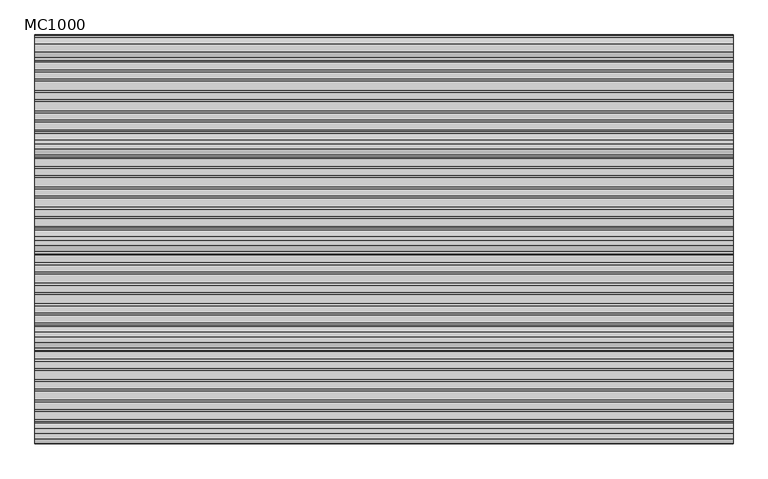
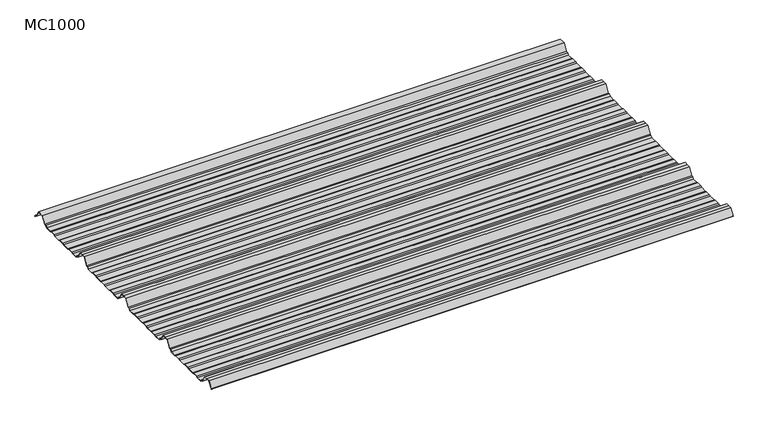
"""IFC4 building model written with IfcOpenShell, lengths in millimetres: beam geometry, MC1000."""

from ifc_helpers import new_model, si_unit, point, frame, frame_2d, origin, place, context, project, spatial, polyline, circle_curve, trimmed, segment, composite_curve, outline, extrude, source, transform, mapped, element, save


def mc1000_16bfcd8b(model_context):
    return source(origin(), model_context, "Body", "SweptSolid", [
        extrude(outline(composite_curve([segment(polyline([(-187.0338322, -23.7896472), (-192.5, -25.7896478), (-213.5, -25.7896478), (-217.6210251, -19.1370213), (-222.9746775, -19.1370213), (-238.0568616, 5.2103522), (-250.0, 5.2103522), (-261.9431384, 5.2103522), (-277.0253225, -19.1370213), (-282.3789749, -19.1370213), (-286.5, -25.7896478), (-307.5, -25.7896478), (-312.9661678, -23.7896476), (-330.9151087, -23.7896476), (-336.3812767, -25.7896478), (-360.5593616, -25.7896478), (-366.0255296, -23.7896476), (-383.97447, -23.7896476), (-389.4406384, -25.7896478), (-413.6187233, -25.7896478), (-419.0848913, -23.7896476), (-437.0338322, -23.7896476), (-442.5, -25.7896478), (-463.5, -25.7896478), (-467.6210251, -19.1370213), (-472.9746775, -19.1370213), (-488.0568616, 5.2103522), (-500.0, 5.2103522), (-511.9431384, 5.2103522), (-527.0253225, -19.1370213), (-532.3789749, -19.1370213), (-536.5, -25.7896478), (-557.5, -25.7896478), (-562.9661678, -23.789648), (-580.9151087, -23.789648), (-586.3812767, -25.7896482), (-610.5593616, -25.7896482), (-616.0255296, -23.7896476), (-633.97447, -23.7896476), (-639.4406384, -25.7896478), (-663.6187233, -25.7896478), (-669.0848913, -23.7896476), (-687.0338322, -23.7896476), (-692.5, -25.7896478), (-713.5, -25.7896478), (-717.6210251, -19.1370213), (-722.9746775, -19.1370213), (-738.0568616, 5.2103522), (-750.0, 5.2103522), (-761.9431384, 5.2103522), (-777.0253225, -19.1370213), (-782.3789749, -19.1370213), (-786.5, -25.7896478), (-807.5, -25.7896478), (-812.9661678, -23.7896476), (-830.9151087, -23.7896476), (-836.3812767, -25.7896478), (-860.5593616, -25.7896478), (-866.0255296, -23.7896476), (-883.97447, -23.7896476), (-889.4406384, -25.7896478), (-913.6187233, -25.7896478), (-919.0848913, -23.7896476), (-937.0338322, -23.7896476), (-942.5, -25.7896478), (-963.5, -25.7896478), (-967.6210251, -19.1370213), (-972.9746775, -19.1370213), (-988.0568616, 5.2103522), (-1000.0, 5.2103522), (-1011.9431384, 5.2103522), (-1025.3430666, -16.4213329)]), True, "CONTINUOUS"), segment(trimmed(circle_curve(frame_2d((-1025.768121, -16.1580294)), 0.5), [point((-1025.3430666, -16.4213329))], [point((-1026.1931754, -15.8947259))], False, "CARTESIAN"), True, "CONTINUOUS"), segment(polyline([(-1026.1931754, -15.8947259), (-1012.5, 6.2103522), (-1000.0, 6.2103522), (-987.5, 6.2103522), (-972.4178159, -18.1370213), (-967.0641635, -18.1370213), (-962.9431384, -24.7896478), (-942.6771992, -24.7896478), (-937.2110314, -22.7896476), (-918.9076926, -22.7896476), (-913.4415242, -24.7896478), (-889.6178376, -24.7896478), (-884.1516696, -22.7896478), (-865.8483309, -22.7896478), (-860.3821624, -24.7896478), (-836.5584758, -24.7896478), (-831.0923074, -22.7896476), (-812.7889686, -22.7896476), (-807.3228008, -24.7896478), (-787.0568616, -24.7896478), (-782.9358365, -18.1370213), (-777.5821841, -18.1370213), (-762.5, 6.2103522), (-750.0, 6.2103522), (-737.5, 6.2103522), (-722.4178159, -18.1370213), (-717.0641635, -18.1370213), (-712.9431384, -24.7896478), (-692.6771992, -24.7896478), (-687.2110314, -22.7896476), (-668.9076926, -22.7896476), (-663.4415242, -24.7896478), (-639.6178376, -24.7896478), (-634.1516696, -22.7896478), (-615.8483309, -22.7896478), (-610.3821624, -24.7896482), (-586.5584758, -24.7896482), (-581.0923074, -22.789648), (-562.7889686, -22.789648), (-557.3228008, -24.7896478), (-537.0568616, -24.7896478), (-532.9358365, -18.1370213), (-527.5821841, -18.1370213), (-512.5, 6.2103522), (-500.0, 6.2103522), (-487.5, 6.2103522), (-472.4178159, -18.1370213), (-467.0641635, -18.1370213), (-462.9431384, -24.7896478), (-442.6771992, -24.7896478), (-437.2110314, -22.7896476), (-418.9076926, -22.7896476), (-413.4415242, -24.7896478), (-389.6178376, -24.7896478), (-384.1516696, -22.7896478), (-365.8483309, -22.7896478), (-360.3821624, -24.7896478), (-336.5584758, -24.7896478), (-331.0923074, -22.7896476), (-312.7889686, -22.7896476), (-307.3228008, -24.7896478), (-287.0568616, -24.7896478), (-282.9358365, -18.1370213), (-277.5821841, -18.1370213), (-262.5, 6.2103522), (-250.0, 6.2103522), (-237.5, 6.2103522), (-222.4178159, -18.1370213), (-217.0641635, -18.1370213), (-212.9431384, -24.7896478), (-192.6771992, -24.7896478), (-187.2110314, -22.7896472), (-168.9076926, -22.7896472), (-163.4415242, -24.7896475), (-139.6178376, -24.7896475), (-134.1516696, -22.7896474), (-115.8483309, -22.7896474), (-110.3821624, -24.7896475), (-86.5584758, -24.7896475), (-81.0923074, -22.7896476), (-62.7889686, -22.7896476), (-57.3228008, -24.7896478), (-37.0568616, -24.7896478), (-32.9358365, -18.1370213), (-25.2295442, -18.1370213), (-11.3862768, 4.2103522), (11.3862768, 4.2103522), (26.4684609, -20.1370213), (31.8221133, -20.1370213), (33.8767469, -23.4538441)]), True, "CONTINUOUS"), segment(trimmed(circle_curve(frame_2d((33.4516925, -23.7171476)), 0.5), [point((33.8767469, -23.4538441))], [point((33.0266381, -23.9804511))], False, "CARTESIAN"), True, "CONTINUOUS"), segment(polyline([(33.0266381, -23.9804511), (31.2652517, -21.1370213), (25.9115993, -21.1370213), (10.8294152, 3.2103522), (-10.8294152, 3.2103522), (-24.6726825, -19.1370213), (-32.3789749, -19.1370213), (-36.5, -25.7896478), (-57.5, -25.7896478), (-62.9661678, -23.7896476), (-80.9151087, -23.7896476), (-86.3812767, -25.7896475), (-110.5593616, -25.7896475), (-116.0255296, -23.7896472), (-133.97447, -23.7896472), (-139.4406384, -25.7896475), (-163.6187233, -25.7896475), (-169.0848913, -23.7896472), (-187.0338322, -23.7896472)]), True, "CONTINUOUS")], self_intersect=False)), frame((-905.0, 0.0, 0.0), z_axis=(1.0, 0.0, 0.0), x_axis=(0.0, 1.0, 0.0)), (0.0, 0.0, 1.0), 1810.0),
    ])


if __name__ == "__main__":
    model = new_model("IFC4")
    model_context = context("Model", 3, world=origin())
    ifc_project = project(units=[si_unit("LENGTHUNIT", "METRE", prefix="MILLI")], contexts=[model_context])
    site = spatial("IfcSite", under=ifc_project)
    building = spatial("IfcBuilding", under=site)
    placement = place(None, origin())
    mc1000_shape = mc1000_16bfcd8b(model_context)
    element("IfcBeam", 1, ObjectType="MC1000", at=placement, inside=building, context=model_context, shape_type="MappedRepresentation", body=[
        mapped(mc1000_shape, transform((0.0, 0.0, 0.0), x_axis=(1.0, 0.0, 0.0), y_axis=(0.0, 1.0, 0.0), z_axis=(0.0, 0.0, 1.0))),
    ])
    save(model, "model.ifc")
